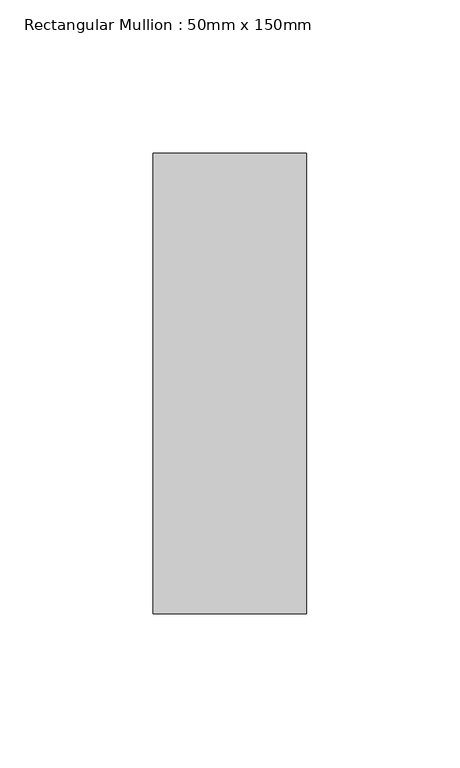
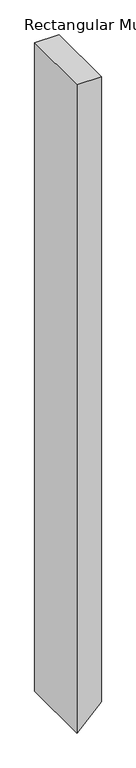
"""IFC4 building model written with IfcOpenShell, lengths in millimetres: member geometry, Rectangular Mullion : 50mm x 150mm."""

import ifcopenshell
import ifcopenshell.guid

model = None  # the IFC model being written
_history = None  # IfcOwnerHistory: only IFC2X3 demands one
_inside = {}  # id of a spatial element -> (the spatial element, [elements in it])
_under = {}  # id of a project, library or spatial element -> (it, [spatial elements below it])
_declared = {}  # id of a project -> (the project, [libraries it declares])
_typed = {}  # id of a type object -> (the type object, [elements of that type])
_made_of = {}  # id of a material, layer set ... -> (it, [elements and type objects made of it])


def new_model(schema):
    """Start an empty IFC model of exactly this schema.

    Asked for "IFC4X3", IfcOpenShell would pick the latest addendum, in which some entities
    have other attributes; the version numbers below select the first issue.
    IFC2X3 requires an IfcOwnerHistory on every rooted entity: one is made here for all.
    """
    global model, _history
    if schema == "IFC4X3":
        model = ifcopenshell.file(schema_version=(4, 3, 0, 0))
    else:
        model = ifcopenshell.file(schema=schema)
    _inside.clear()
    _under.clear()
    _declared.clear()
    _typed.clear()
    _made_of.clear()
    _history = None
    if model.schema == "IFC2X3":
        org = make("IfcOrganization", Name="unknown")
        user = make(
            "IfcPersonAndOrganization",
            ThePerson=make("IfcPerson", FamilyName="unknown"),
            TheOrganization=org,
        )
        app = make(
            "IfcApplication",
            ApplicationDeveloper=org,
            Version="unknown",
            ApplicationFullName="unknown",
            ApplicationIdentifier="unknown",
        )
        _history = make(
            "IfcOwnerHistory",
            OwningUser=user,
            OwningApplication=app,
            ChangeAction="ADDED",
            CreationDate=0,
        )
    return model


def make(cls, **values):
    """One entity of the class cls with the attributes given. An attribute that is None is left unset."""
    return model.create_entity(
        cls, **{name: value for name, value in values.items() if value is not None}
    )


def rooted(cls, **values):
    """An entity with a GlobalId (a new one), such as an element, a storey or a relation."""
    return make(cls, GlobalId=ifcopenshell.guid.new(), OwnerHistory=_history, **values)


def si_unit(unit_type, name, prefix=None):
    """IfcSIUnit, for example si_unit("LENGTHUNIT", "METRE", prefix="MILLI")."""
    return make("IfcSIUnit", UnitType=unit_type, Prefix=prefix, Name=name)


def assignment(units):
    """IfcUnitAssignment: the units of a project."""
    return None if units is None else make("IfcUnitAssignment", Units=units)


def point(xyz):
    """IfcCartesianPoint."""
    return None if xyz is None else make("IfcCartesianPoint", Coordinates=xyz)


def direction(xyz):
    """IfcDirection."""
    return None if xyz is None else make("IfcDirection", DirectionRatios=xyz)


def frame(location, z_axis=None, x_axis=None):
    """IfcAxis2Placement3D, a coordinate frame: its origin and axes. An axis left out is left unset."""
    return make(
        "IfcAxis2Placement3D",
        Location=point(location),
        Axis=direction(z_axis),
        RefDirection=direction(x_axis),
    )


def origin():
    """The frame at (0, 0, 0) with its axes left unset."""
    return frame((0.0, 0.0, 0.0))


def place(relative_to, where):
    """IfcLocalPlacement: puts the frame where relative to a parent placement (None: the world)."""
    return make(
        "IfcLocalPlacement", PlacementRelTo=relative_to, RelativePlacement=where
    )


def context(
    kind, dimensions, precision=None, world=None, true_north=None, identifier=None
):
    """IfcGeometricRepresentationContext, for example the 3D "Model" context."""
    return make(
        "IfcGeometricRepresentationContext",
        ContextIdentifier=identifier,
        ContextType=kind,
        CoordinateSpaceDimension=dimensions,
        Precision=precision,
        WorldCoordinateSystem=world,
        TrueNorth=true_north,
    )


def project(units=None, contexts=None):
    """IfcProject with its units and contexts."""
    return rooted(
        "IfcProject",
        Name="project",
        RepresentationContexts=contexts,
        UnitsInContext=assignment(units),
    )


def spatial(cls, under=None, at=None, **own):
    """A site, building, storey or space (cls), placed at a placement, below another one or the project."""
    s = rooted(cls, ObjectPlacement=at, **own)
    if under is not None:
        _under.setdefault(under.id(), (under, []))[1].append(s)
    return s


def polyline(points):
    """IfcPolyline through the points."""
    return make("IfcPolyline", Points=[point(p) for p in points])


def outline(outer, holes=None, kind="AREA"):
    """IfcArbitraryClosedProfileDef: a profile drawn as a closed curve; with holes, ...WithVoids."""
    if holes is None:
        return make("IfcArbitraryClosedProfileDef", ProfileType=kind, OuterCurve=outer)
    return make(
        "IfcArbitraryProfileDefWithVoids",
        ProfileType=kind,
        OuterCurve=outer,
        InnerCurves=holes,
    )


def extrude(swept, where, along, depth):
    """IfcExtrudedAreaSolid: the profile swept, set in the frame where, extruded along a direction by depth."""
    return make(
        "IfcExtrudedAreaSolid",
        SweptArea=swept,
        Position=where,
        ExtrudedDirection=direction(along),
        Depth=depth,
    )


def shape(context_of_items, identifier, shape_type, items):
    """IfcShapeRepresentation: the items that make up one representation, for example the "Body"."""
    return make(
        "IfcShapeRepresentation",
        ContextOfItems=context_of_items,
        RepresentationIdentifier=identifier,
        RepresentationType=shape_type,
        Items=items,
    )


def source(mapping_origin, context_of_items, identifier, shape_type, items):
    """IfcRepresentationMap: a shape defined once, which mapped items show again and again."""
    return make(
        "IfcRepresentationMap",
        MappingOrigin=mapping_origin,
        MappedRepresentation=shape(context_of_items, identifier, shape_type, items),
    )


def transform(
    local_origin,
    x_axis=None,
    y_axis=None,
    z_axis=None,
    scale=None,
    scale2=None,
    scale3=None,
    uniform=True,
):
    """IfcCartesianTransformationOperator3D, or its non-uniform kind. x_axis, y_axis, z_axis: its Axis1, 2, 3."""
    if uniform:
        return make(
            "IfcCartesianTransformationOperator3D",
            Axis1=direction(x_axis),
            Axis2=direction(y_axis),
            LocalOrigin=point(local_origin),
            Scale=scale,
            Axis3=direction(z_axis),
        )
    return make(
        "IfcCartesianTransformationOperator3DnonUniform",
        Axis1=direction(x_axis),
        Axis2=direction(y_axis),
        LocalOrigin=point(local_origin),
        Scale=scale,
        Axis3=direction(z_axis),
        Scale2=scale2,
        Scale3=scale3,
    )


def mapped(mapping_source, mapping_target):
    """IfcMappedItem: shows the shape of a source again, moved by a transform."""
    return make(
        "IfcMappedItem", MappingSource=mapping_source, MappingTarget=mapping_target
    )


def made_of(thing, what):
    """Note that an element or type object is made of a material, layer set ...; save() writes the relation."""
    if what is not None:
        _made_of.setdefault(what.id(), (what, []))[1].append(thing)
    return thing


def element(
    cls,
    number,
    at=None,
    inside=None,
    cuts=None,
    type_object=None,
    material=None,
    context=None,
    identifier="Body",
    shape_type=None,
    held_by="IfcProductDefinitionShape",
    body=None,
    shapes=None,
    **own,
):
    """One element of the class cls, such as IfcWall. Its Tag is "e" and its number.

    at: its placement. inside: the storey or other place that contains it. cuts: it is an
    opening in that element (IfcRelVoidsElement). A single representation is given by context,
    identifier, shape_type and body (its items); several are given by shapes. held_by: the class
    of the entity that holds the representations. save() writes the other relations.
    """
    e = rooted(cls, Tag="e%d" % number, ObjectPlacement=at, **own)
    if body is not None:
        shapes = [shape(context, identifier, shape_type, body)]
    if shapes is not None:
        e.Representation = make(held_by, Representations=shapes)
    if inside is not None:
        _inside.setdefault(inside.id(), (inside, []))[1].append(e)
    if cuts is not None:
        rooted(
            "IfcRelVoidsElement", RelatingBuildingElement=cuts, RelatedOpeningElement=e
        )
    if type_object is not None:
        _typed.setdefault(type_object.id(), (type_object, []))[1].append(e)
    return made_of(e, material)


def aggregate(whole, parts):
    """IfcRelAggregates: a whole, such as a stair, and the parts it consists of."""
    return rooted("IfcRelAggregates", RelatingObject=whole, RelatedObjects=parts)


def save(model, path):
    """Write the relations noted so far, then the file.

    IfcRelAggregates (storeys below a building ...), IfcRelContainedInSpatialStructure (elements
    in a storey), IfcRelDefinesByType, IfcRelAssociatesMaterial and IfcRelDeclares: one each for
    every whole, place, type object, material and project.
    """
    for whole, parts in _under.values():
        aggregate(whole, parts)
    for where, things in _inside.values():
        rooted(
            "IfcRelContainedInSpatialStructure",
            RelatedElements=things,
            RelatingStructure=where,
        )
    for kind, things in _typed.values():
        rooted("IfcRelDefinesByType", RelatedObjects=things, RelatingType=kind)
    for what, things in _made_of.values():
        rooted("IfcRelAssociatesMaterial", RelatedObjects=things, RelatingMaterial=what)
    for by, libraries in _declared.values():
        rooted("IfcRelDeclares", RelatingContext=by, RelatedDefinitions=libraries)
    model.write(path)


def rectangular_mullion_50mm_x_150mm_f4cacd3c(model_context):
    return source(origin(), model_context, "Body", "SweptSolid", [
        extrude(outline(polyline([(0.0, 25.0), (0.0, -25.0), (-1405.2943725, -25.0), (-1355.2943725, 25.0), (0.0, 25.0)])), frame((0.0, -75.0, 0.0), z_axis=(0.0, 1.0, 0.0), x_axis=(0.0, 0.0, 1.0)), (0.0, 0.0, 1.0), 150.0),
    ])


if __name__ == "__main__":
    model = new_model("IFC4")
    model_context = context("Model", 3, world=origin())
    ifc_project = project(units=[si_unit("LENGTHUNIT", "METRE", prefix="MILLI")], contexts=[model_context])
    site = spatial("IfcSite", under=ifc_project)
    building = spatial("IfcBuilding", under=site)
    placement = place(None, origin())
    rectangular_mullion_50mm_x_150mm_shape = rectangular_mullion_50mm_x_150mm_f4cacd3c(model_context)
    element("IfcMember", 1, ObjectType="Rectangular Mullion : 50mm x 150mm", at=placement, inside=building, context=model_context, shape_type="MappedRepresentation", body=[
        mapped(rectangular_mullion_50mm_x_150mm_shape, transform((0.0, 0.0, 0.0), x_axis=(1.0, 0.0, 0.0), y_axis=(0.0, 1.0, 0.0), z_axis=(0.0, 0.0, 1.0))),
    ])
    save(model, "model.ifc")
